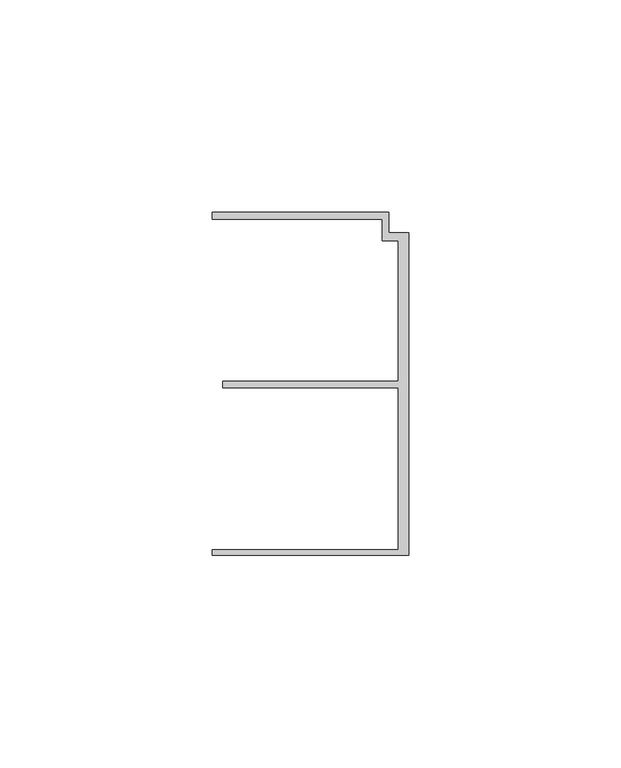
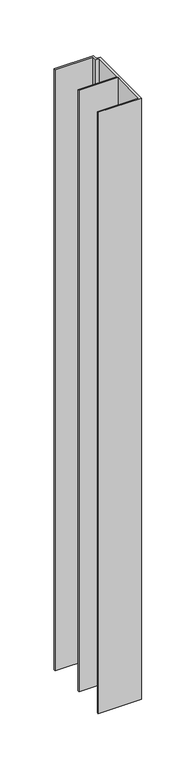
"""IFC4 building model written with IfcOpenShell, lengths in millimetres: member geometry."""

import ifcopenshell
import ifcopenshell.guid

model = None  # the IFC model being written
_history = None  # IfcOwnerHistory: only IFC2X3 demands one
_inside = {}  # id of a spatial element -> (the spatial element, [elements in it])
_under = {}  # id of a project, library or spatial element -> (it, [spatial elements below it])
_declared = {}  # id of a project -> (the project, [libraries it declares])
_typed = {}  # id of a type object -> (the type object, [elements of that type])
_made_of = {}  # id of a material, layer set ... -> (it, [elements and type objects made of it])


def new_model(schema):
    """Start an empty IFC model of exactly this schema.

    Asked for "IFC4X3", IfcOpenShell would pick the latest addendum, in which some entities
    have other attributes; the version numbers below select the first issue.
    IFC2X3 requires an IfcOwnerHistory on every rooted entity: one is made here for all.
    """
    global model, _history
    if schema == "IFC4X3":
        model = ifcopenshell.file(schema_version=(4, 3, 0, 0))
    else:
        model = ifcopenshell.file(schema=schema)
    _inside.clear()
    _under.clear()
    _declared.clear()
    _typed.clear()
    _made_of.clear()
    _history = None
    if model.schema == "IFC2X3":
        org = make("IfcOrganization", Name="unknown")
        user = make(
            "IfcPersonAndOrganization",
            ThePerson=make("IfcPerson", FamilyName="unknown"),
            TheOrganization=org,
        )
        app = make(
            "IfcApplication",
            ApplicationDeveloper=org,
            Version="unknown",
            ApplicationFullName="unknown",
            ApplicationIdentifier="unknown",
        )
        _history = make(
            "IfcOwnerHistory",
            OwningUser=user,
            OwningApplication=app,
            ChangeAction="ADDED",
            CreationDate=0,
        )
    return model


def make(cls, **values):
    """One entity of the class cls with the attributes given. An attribute that is None is left unset."""
    return model.create_entity(
        cls, **{name: value for name, value in values.items() if value is not None}
    )


def rooted(cls, **values):
    """An entity with a GlobalId (a new one), such as an element, a storey or a relation."""
    return make(cls, GlobalId=ifcopenshell.guid.new(), OwnerHistory=_history, **values)


def si_unit(unit_type, name, prefix=None):
    """IfcSIUnit, for example si_unit("LENGTHUNIT", "METRE", prefix="MILLI")."""
    return make("IfcSIUnit", UnitType=unit_type, Prefix=prefix, Name=name)


def assignment(units):
    """IfcUnitAssignment: the units of a project."""
    return None if units is None else make("IfcUnitAssignment", Units=units)


def point(xyz):
    """IfcCartesianPoint."""
    return None if xyz is None else make("IfcCartesianPoint", Coordinates=xyz)


def direction(xyz):
    """IfcDirection."""
    return None if xyz is None else make("IfcDirection", DirectionRatios=xyz)


def frame(location, z_axis=None, x_axis=None):
    """IfcAxis2Placement3D, a coordinate frame: its origin and axes. An axis left out is left unset."""
    return make(
        "IfcAxis2Placement3D",
        Location=point(location),
        Axis=direction(z_axis),
        RefDirection=direction(x_axis),
    )


def origin():
    """The frame at (0, 0, 0) with its axes left unset."""
    return frame((0.0, 0.0, 0.0))


def place(relative_to, where):
    """IfcLocalPlacement: puts the frame where relative to a parent placement (None: the world)."""
    return make(
        "IfcLocalPlacement", PlacementRelTo=relative_to, RelativePlacement=where
    )


def context(
    kind, dimensions, precision=None, world=None, true_north=None, identifier=None
):
    """IfcGeometricRepresentationContext, for example the 3D "Model" context."""
    return make(
        "IfcGeometricRepresentationContext",
        ContextIdentifier=identifier,
        ContextType=kind,
        CoordinateSpaceDimension=dimensions,
        Precision=precision,
        WorldCoordinateSystem=world,
        TrueNorth=true_north,
    )


def project(units=None, contexts=None):
    """IfcProject with its units and contexts."""
    return rooted(
        "IfcProject",
        Name="project",
        RepresentationContexts=contexts,
        UnitsInContext=assignment(units),
    )


def spatial(cls, under=None, at=None, **own):
    """A site, building, storey or space (cls), placed at a placement, below another one or the project."""
    s = rooted(cls, ObjectPlacement=at, **own)
    if under is not None:
        _under.setdefault(under.id(), (under, []))[1].append(s)
    return s


def polyline(points):
    """IfcPolyline through the points."""
    return make("IfcPolyline", Points=[point(p) for p in points])


def outline(outer, holes=None, kind="AREA"):
    """IfcArbitraryClosedProfileDef: a profile drawn as a closed curve; with holes, ...WithVoids."""
    if holes is None:
        return make("IfcArbitraryClosedProfileDef", ProfileType=kind, OuterCurve=outer)
    return make(
        "IfcArbitraryProfileDefWithVoids",
        ProfileType=kind,
        OuterCurve=outer,
        InnerCurves=holes,
    )


def extrude(swept, where, along, depth):
    """IfcExtrudedAreaSolid: the profile swept, set in the frame where, extruded along a direction by depth."""
    return make(
        "IfcExtrudedAreaSolid",
        SweptArea=swept,
        Position=where,
        ExtrudedDirection=direction(along),
        Depth=depth,
    )


def shape(context_of_items, identifier, shape_type, items):
    """IfcShapeRepresentation: the items that make up one representation, for example the "Body"."""
    return make(
        "IfcShapeRepresentation",
        ContextOfItems=context_of_items,
        RepresentationIdentifier=identifier,
        RepresentationType=shape_type,
        Items=items,
    )


def source(mapping_origin, context_of_items, identifier, shape_type, items):
    """IfcRepresentationMap: a shape defined once, which mapped items show again and again."""
    return make(
        "IfcRepresentationMap",
        MappingOrigin=mapping_origin,
        MappedRepresentation=shape(context_of_items, identifier, shape_type, items),
    )


def transform(
    local_origin,
    x_axis=None,
    y_axis=None,
    z_axis=None,
    scale=None,
    scale2=None,
    scale3=None,
    uniform=True,
):
    """IfcCartesianTransformationOperator3D, or its non-uniform kind. x_axis, y_axis, z_axis: its Axis1, 2, 3."""
    if uniform:
        return make(
            "IfcCartesianTransformationOperator3D",
            Axis1=direction(x_axis),
            Axis2=direction(y_axis),
            LocalOrigin=point(local_origin),
            Scale=scale,
            Axis3=direction(z_axis),
        )
    return make(
        "IfcCartesianTransformationOperator3DnonUniform",
        Axis1=direction(x_axis),
        Axis2=direction(y_axis),
        LocalOrigin=point(local_origin),
        Scale=scale,
        Axis3=direction(z_axis),
        Scale2=scale2,
        Scale3=scale3,
    )


def mapped(mapping_source, mapping_target):
    """IfcMappedItem: shows the shape of a source again, moved by a transform."""
    return make(
        "IfcMappedItem", MappingSource=mapping_source, MappingTarget=mapping_target
    )


def made_of(thing, what):
    """Note that an element or type object is made of a material, layer set ...; save() writes the relation."""
    if what is not None:
        _made_of.setdefault(what.id(), (what, []))[1].append(thing)
    return thing


def element(
    cls,
    number,
    at=None,
    inside=None,
    cuts=None,
    type_object=None,
    material=None,
    context=None,
    identifier="Body",
    shape_type=None,
    held_by="IfcProductDefinitionShape",
    body=None,
    shapes=None,
    **own,
):
    """One element of the class cls, such as IfcWall. Its Tag is "e" and its number.

    at: its placement. inside: the storey or other place that contains it. cuts: it is an
    opening in that element (IfcRelVoidsElement). A single representation is given by context,
    identifier, shape_type and body (its items); several are given by shapes. held_by: the class
    of the entity that holds the representations. save() writes the other relations.
    """
    e = rooted(cls, Tag="e%d" % number, ObjectPlacement=at, **own)
    if body is not None:
        shapes = [shape(context, identifier, shape_type, body)]
    if shapes is not None:
        e.Representation = make(held_by, Representations=shapes)
    if inside is not None:
        _inside.setdefault(inside.id(), (inside, []))[1].append(e)
    if cuts is not None:
        rooted(
            "IfcRelVoidsElement", RelatingBuildingElement=cuts, RelatedOpeningElement=e
        )
    if type_object is not None:
        _typed.setdefault(type_object.id(), (type_object, []))[1].append(e)
    return made_of(e, material)


def aggregate(whole, parts):
    """IfcRelAggregates: a whole, such as a stair, and the parts it consists of."""
    return rooted("IfcRelAggregates", RelatingObject=whole, RelatedObjects=parts)


def save(model, path):
    """Write the relations noted so far, then the file.

    IfcRelAggregates (storeys below a building ...), IfcRelContainedInSpatialStructure (elements
    in a storey), IfcRelDefinesByType, IfcRelAssociatesMaterial and IfcRelDeclares: one each for
    every whole, place, type object, material and project.
    """
    for whole, parts in _under.values():
        aggregate(whole, parts)
    for where, things in _inside.values():
        rooted(
            "IfcRelContainedInSpatialStructure",
            RelatedElements=things,
            RelatingStructure=where,
        )
    for kind, things in _typed.values():
        rooted("IfcRelDefinesByType", RelatedObjects=things, RelatingType=kind)
    for what, things in _made_of.values():
        rooted("IfcRelAssociatesMaterial", RelatedObjects=things, RelatingMaterial=what)
    for by, libraries in _declared.values():
        rooted("IfcRelDeclares", RelatingContext=by, RelatedDefinitions=libraries)
    model.write(path)


def member_663d4e4b(model_context):
    return source(origin(), model_context, "Body", "SweptSolid", [
        extrude(outline(polyline([(-6.2, 33.95), (-6.2, 38.95), (-46.3, 38.95), (-46.3, 40.65), (-4.6999992, 40.65), (-4.6999992, 35.75), (0.0, 35.75), (0.0, -40.25), (-46.3, -40.25), (-46.3, -38.95), (-2.4, -38.95), (-2.4, -0.75), (-43.8, -0.75), (-43.8, 0.75), (-2.4, 0.75), (-2.4, 33.95), (-6.2, 33.95)])), frame((0.0, 0.0, -675.0), z_axis=(0.0, 0.0, 1.0), x_axis=(1.0, 0.0, 0.0)), (0.0, 0.0, 1.0), 675.0),
    ])


if __name__ == "__main__":
    model = new_model("IFC4")
    model_context = context("Model", 3, world=origin())
    ifc_project = project(units=[si_unit("LENGTHUNIT", "METRE", prefix="MILLI")], contexts=[model_context])
    site = spatial("IfcSite", under=ifc_project)
    building = spatial("IfcBuilding", under=site)
    placement = place(None, origin())
    member_shape = member_663d4e4b(model_context)
    element("IfcMember", 1, at=placement, inside=building, context=model_context, shape_type="MappedRepresentation", body=[
        mapped(member_shape, transform((0.0, 0.0, 0.0), x_axis=(1.0, 0.0, 0.0), y_axis=(0.0, 1.0, 0.0), z_axis=(0.0, 0.0, 1.0))),
    ])
    save(model, "model.ifc")
